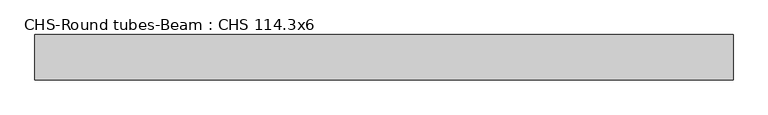
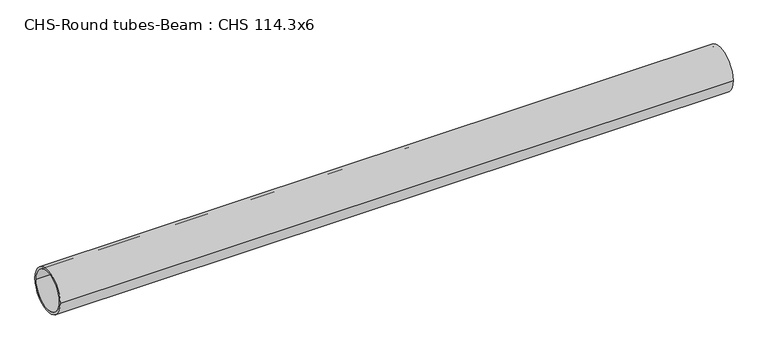
"""IFC4 building model written with IfcOpenShell, lengths in millimetres: beam geometry, CHS-Round tubes-Beam : CHS 114.3x6."""

from ifc_helpers import new_model, si_unit, point, frame, origin, origin_2d, place, context, project, spatial, circle_curve, trimmed, segment, composite_curve, outline, extrude, source, transform, mapped, element, save


def chs_round_tubes_beam_chs_114_3x6_ba11fc86(model_context):
    return source(origin(), model_context, "Body", "SweptSolid", [
        extrude(outline(composite_curve([segment(trimmed(circle_curve(origin_2d(), 57.15), [point((57.15, 0.0))], [point((-57.15, 0.0))], False, "CARTESIAN"), True, "CONTINUOUS"), segment(trimmed(circle_curve(origin_2d(), 57.15), [point((-57.15, 0.0))], [point((57.15, 0.0))], False, "CARTESIAN"), True, "CONTINUOUS")], self_intersect=False), holes=[composite_curve([segment(trimmed(circle_curve(origin_2d(), 51.15), [point((51.15, 0.0))], [point((-51.15, 0.0))], True, "CARTESIAN"), True, "CONTINUOUS"), segment(trimmed(circle_curve(origin_2d(), 51.15), [point((-51.15, 0.0))], [point((51.15, 0.0))], True, "CARTESIAN"), True, "CONTINUOUS")], self_intersect=False)]), frame((-833.2487828, 0.0, 0.0), z_axis=(1.0, 0.0, 0.0), x_axis=(0.0, 1.0, 0.0)), (0.0, 0.0, 1.0), 1754.4447262),
    ])


if __name__ == "__main__":
    model = new_model("IFC4")
    model_context = context("Model", 3, world=origin())
    ifc_project = project(units=[si_unit("LENGTHUNIT", "METRE", prefix="MILLI")], contexts=[model_context])
    site = spatial("IfcSite", under=ifc_project)
    building = spatial("IfcBuilding", under=site)
    placement = place(None, origin())
    chs_round_tubes_beam_chs_114_3x6_shape = chs_round_tubes_beam_chs_114_3x6_ba11fc86(model_context)
    element("IfcBeam", 1, ObjectType="CHS-Round tubes-Beam : CHS 114.3x6", at=placement, inside=building, context=model_context, shape_type="MappedRepresentation", body=[
        mapped(chs_round_tubes_beam_chs_114_3x6_shape, transform((0.0, 0.0, 0.0), x_axis=(1.0, 0.0, 0.0), y_axis=(0.0, 1.0, 0.0), z_axis=(0.0, 0.0, 1.0))),
    ])
    save(model, "model.ifc")
